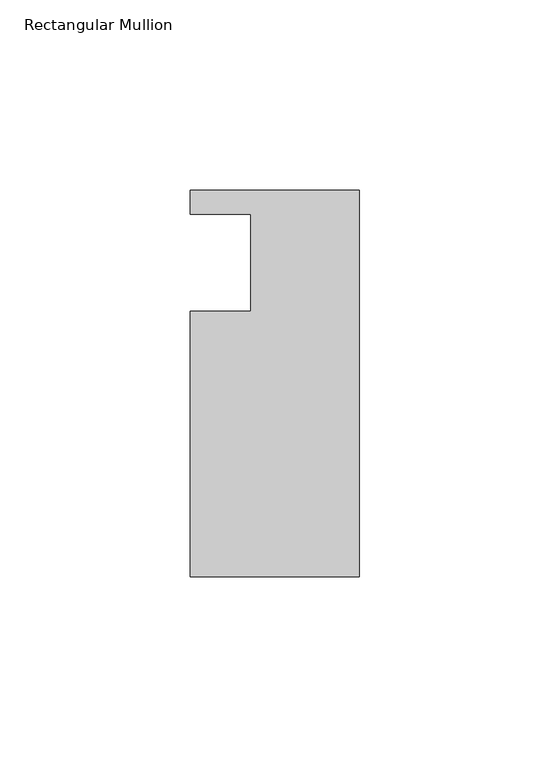
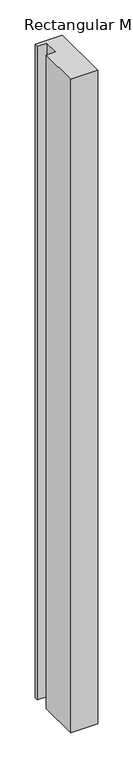
"""IFC4 building model written with IfcOpenShell, lengths in millimetres: member geometry, Rectangular Mullion."""

from ifc_helpers import new_model, si_unit, frame, origin, place, context, project, spatial, polyline, outline, extrude, source, transform, mapped, element, save


def rectangular_mullion_03afd02e(model_context):
    return source(origin(), model_context, "Body", "SweptSolid", [
        extrude(outline(polyline([(-44.45, -73.152), (-44.45, -3.302), (-28.575, -3.302), (-28.575, 22.098), (-44.45, 22.098), (-44.45, 28.448), (0.0, 28.448), (0.0, -73.152), (-44.45, -73.152)])), frame((0.0, 0.0, -1137.0780973), z_axis=(0.0, 0.0, 1.0), x_axis=(1.0, 0.0, 0.0)), (0.0, 0.0, 1.0), 1137.0780973),
    ])


if __name__ == "__main__":
    model = new_model("IFC4")
    model_context = context("Model", 3, world=origin())
    ifc_project = project(units=[si_unit("LENGTHUNIT", "METRE", prefix="MILLI")], contexts=[model_context])
    site = spatial("IfcSite", under=ifc_project)
    building = spatial("IfcBuilding", under=site)
    placement = place(None, origin())
    rectangular_mullion_shape = rectangular_mullion_03afd02e(model_context)
    element("IfcMember", 1, ObjectType="Rectangular Mullion", at=placement, inside=building, context=model_context, shape_type="MappedRepresentation", body=[
        mapped(rectangular_mullion_shape, transform((0.0, 0.0, 0.0), x_axis=(1.0, 0.0, 0.0), y_axis=(0.0, 1.0, 0.0), z_axis=(0.0, 0.0, 1.0))),
    ])
    save(model, "model.ifc")
